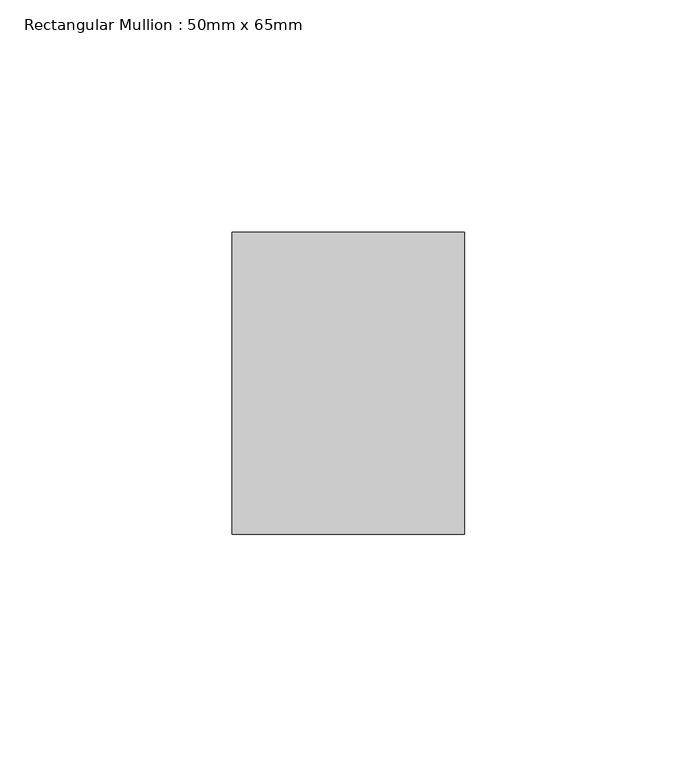
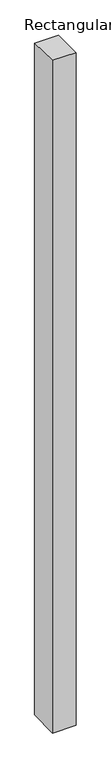
"""IFC4 building model written with IfcOpenShell, lengths in millimetres: member geometry, Rectangular Mullion : 50mm x 65mm."""

import ifcopenshell
import ifcopenshell.guid

model = None  # the IFC model being written
_history = None  # IfcOwnerHistory: only IFC2X3 demands one
_inside = {}  # id of a spatial element -> (the spatial element, [elements in it])
_under = {}  # id of a project, library or spatial element -> (it, [spatial elements below it])
_declared = {}  # id of a project -> (the project, [libraries it declares])
_typed = {}  # id of a type object -> (the type object, [elements of that type])
_made_of = {}  # id of a material, layer set ... -> (it, [elements and type objects made of it])


def new_model(schema):
    """Start an empty IFC model of exactly this schema.

    Asked for "IFC4X3", IfcOpenShell would pick the latest addendum, in which some entities
    have other attributes; the version numbers below select the first issue.
    IFC2X3 requires an IfcOwnerHistory on every rooted entity: one is made here for all.
    """
    global model, _history
    if schema == "IFC4X3":
        model = ifcopenshell.file(schema_version=(4, 3, 0, 0))
    else:
        model = ifcopenshell.file(schema=schema)
    _inside.clear()
    _under.clear()
    _declared.clear()
    _typed.clear()
    _made_of.clear()
    _history = None
    if model.schema == "IFC2X3":
        org = make("IfcOrganization", Name="unknown")
        user = make(
            "IfcPersonAndOrganization",
            ThePerson=make("IfcPerson", FamilyName="unknown"),
            TheOrganization=org,
        )
        app = make(
            "IfcApplication",
            ApplicationDeveloper=org,
            Version="unknown",
            ApplicationFullName="unknown",
            ApplicationIdentifier="unknown",
        )
        _history = make(
            "IfcOwnerHistory",
            OwningUser=user,
            OwningApplication=app,
            ChangeAction="ADDED",
            CreationDate=0,
        )
    return model


def make(cls, **values):
    """One entity of the class cls with the attributes given. An attribute that is None is left unset."""
    return model.create_entity(
        cls, **{name: value for name, value in values.items() if value is not None}
    )


def rooted(cls, **values):
    """An entity with a GlobalId (a new one), such as an element, a storey or a relation."""
    return make(cls, GlobalId=ifcopenshell.guid.new(), OwnerHistory=_history, **values)


def si_unit(unit_type, name, prefix=None):
    """IfcSIUnit, for example si_unit("LENGTHUNIT", "METRE", prefix="MILLI")."""
    return make("IfcSIUnit", UnitType=unit_type, Prefix=prefix, Name=name)


def assignment(units):
    """IfcUnitAssignment: the units of a project."""
    return None if units is None else make("IfcUnitAssignment", Units=units)


def point(xyz):
    """IfcCartesianPoint."""
    return None if xyz is None else make("IfcCartesianPoint", Coordinates=xyz)


def direction(xyz):
    """IfcDirection."""
    return None if xyz is None else make("IfcDirection", DirectionRatios=xyz)


def frame(location, z_axis=None, x_axis=None):
    """IfcAxis2Placement3D, a coordinate frame: its origin and axes. An axis left out is left unset."""
    return make(
        "IfcAxis2Placement3D",
        Location=point(location),
        Axis=direction(z_axis),
        RefDirection=direction(x_axis),
    )


def origin():
    """The frame at (0, 0, 0) with its axes left unset."""
    return frame((0.0, 0.0, 0.0))


def place(relative_to, where):
    """IfcLocalPlacement: puts the frame where relative to a parent placement (None: the world)."""
    return make(
        "IfcLocalPlacement", PlacementRelTo=relative_to, RelativePlacement=where
    )


def context(
    kind, dimensions, precision=None, world=None, true_north=None, identifier=None
):
    """IfcGeometricRepresentationContext, for example the 3D "Model" context."""
    return make(
        "IfcGeometricRepresentationContext",
        ContextIdentifier=identifier,
        ContextType=kind,
        CoordinateSpaceDimension=dimensions,
        Precision=precision,
        WorldCoordinateSystem=world,
        TrueNorth=true_north,
    )


def project(units=None, contexts=None):
    """IfcProject with its units and contexts."""
    return rooted(
        "IfcProject",
        Name="project",
        RepresentationContexts=contexts,
        UnitsInContext=assignment(units),
    )


def spatial(cls, under=None, at=None, **own):
    """A site, building, storey or space (cls), placed at a placement, below another one or the project."""
    s = rooted(cls, ObjectPlacement=at, **own)
    if under is not None:
        _under.setdefault(under.id(), (under, []))[1].append(s)
    return s


def faces_of(points, faces, orient=None, outer=None):
    """IfcFace entities. A face is a list of loops; a loop is a list of indices into points, from 0.

    orient and outer hold one flag for each loop. By default every Orientation is true, the
    first loop of a face is its IfcFaceOuterBound and the others are IfcFaceBound.
    """
    made = []
    for i, loops in enumerate(faces):
        bounds = []
        for j, loop in enumerate(loops):
            is_outer = j == 0 if outer is None else outer[i][j]
            bounds.append(
                make(
                    "IfcFaceOuterBound" if is_outer else "IfcFaceBound",
                    Bound=make("IfcPolyLoop", Polygon=[points[k] for k in loop]),
                    Orientation=True if orient is None else orient[i][j],
                )
            )
        made.append(make("IfcFace", Bounds=bounds))
    return made


def faceted_brep(points, faces, orient=None, outer=None, voids=None):
    """IfcFacetedBrep: a solid bounded by flat faces; with voids (closed shells), ...WithVoids."""
    shared = [point(p) for p in points]
    hull = make("IfcClosedShell", CfsFaces=faces_of(shared, faces, orient, outer))
    if voids is None:
        return make("IfcFacetedBrep", Outer=hull)
    return make(
        "IfcFacetedBrepWithVoids",
        Outer=hull,
        Voids=[
            make(cls, CfsFaces=faces_of(shared, fs, o, b)) for cls, fs, o, b in voids
        ],
    )


def shape(context_of_items, identifier, shape_type, items):
    """IfcShapeRepresentation: the items that make up one representation, for example the "Body"."""
    return make(
        "IfcShapeRepresentation",
        ContextOfItems=context_of_items,
        RepresentationIdentifier=identifier,
        RepresentationType=shape_type,
        Items=items,
    )


def source(mapping_origin, context_of_items, identifier, shape_type, items):
    """IfcRepresentationMap: a shape defined once, which mapped items show again and again."""
    return make(
        "IfcRepresentationMap",
        MappingOrigin=mapping_origin,
        MappedRepresentation=shape(context_of_items, identifier, shape_type, items),
    )


def transform(
    local_origin,
    x_axis=None,
    y_axis=None,
    z_axis=None,
    scale=None,
    scale2=None,
    scale3=None,
    uniform=True,
):
    """IfcCartesianTransformationOperator3D, or its non-uniform kind. x_axis, y_axis, z_axis: its Axis1, 2, 3."""
    if uniform:
        return make(
            "IfcCartesianTransformationOperator3D",
            Axis1=direction(x_axis),
            Axis2=direction(y_axis),
            LocalOrigin=point(local_origin),
            Scale=scale,
            Axis3=direction(z_axis),
        )
    return make(
        "IfcCartesianTransformationOperator3DnonUniform",
        Axis1=direction(x_axis),
        Axis2=direction(y_axis),
        LocalOrigin=point(local_origin),
        Scale=scale,
        Axis3=direction(z_axis),
        Scale2=scale2,
        Scale3=scale3,
    )


def mapped(mapping_source, mapping_target):
    """IfcMappedItem: shows the shape of a source again, moved by a transform."""
    return make(
        "IfcMappedItem", MappingSource=mapping_source, MappingTarget=mapping_target
    )


def made_of(thing, what):
    """Note that an element or type object is made of a material, layer set ...; save() writes the relation."""
    if what is not None:
        _made_of.setdefault(what.id(), (what, []))[1].append(thing)
    return thing


def element(
    cls,
    number,
    at=None,
    inside=None,
    cuts=None,
    type_object=None,
    material=None,
    context=None,
    identifier="Body",
    shape_type=None,
    held_by="IfcProductDefinitionShape",
    body=None,
    shapes=None,
    **own,
):
    """One element of the class cls, such as IfcWall. Its Tag is "e" and its number.

    at: its placement. inside: the storey or other place that contains it. cuts: it is an
    opening in that element (IfcRelVoidsElement). A single representation is given by context,
    identifier, shape_type and body (its items); several are given by shapes. held_by: the class
    of the entity that holds the representations. save() writes the other relations.
    """
    e = rooted(cls, Tag="e%d" % number, ObjectPlacement=at, **own)
    if body is not None:
        shapes = [shape(context, identifier, shape_type, body)]
    if shapes is not None:
        e.Representation = make(held_by, Representations=shapes)
    if inside is not None:
        _inside.setdefault(inside.id(), (inside, []))[1].append(e)
    if cuts is not None:
        rooted(
            "IfcRelVoidsElement", RelatingBuildingElement=cuts, RelatedOpeningElement=e
        )
    if type_object is not None:
        _typed.setdefault(type_object.id(), (type_object, []))[1].append(e)
    return made_of(e, material)


def aggregate(whole, parts):
    """IfcRelAggregates: a whole, such as a stair, and the parts it consists of."""
    return rooted("IfcRelAggregates", RelatingObject=whole, RelatedObjects=parts)


def save(model, path):
    """Write the relations noted so far, then the file.

    IfcRelAggregates (storeys below a building ...), IfcRelContainedInSpatialStructure (elements
    in a storey), IfcRelDefinesByType, IfcRelAssociatesMaterial and IfcRelDeclares: one each for
    every whole, place, type object, material and project.
    """
    for whole, parts in _under.values():
        aggregate(whole, parts)
    for where, things in _inside.values():
        rooted(
            "IfcRelContainedInSpatialStructure",
            RelatedElements=things,
            RelatingStructure=where,
        )
    for kind, things in _typed.values():
        rooted("IfcRelDefinesByType", RelatedObjects=things, RelatingType=kind)
    for what, things in _made_of.values():
        rooted("IfcRelAssociatesMaterial", RelatedObjects=things, RelatingMaterial=what)
    for by, libraries in _declared.values():
        rooted("IfcRelDeclares", RelatingContext=by, RelatedDefinitions=libraries)
    model.write(path)


def rectangular_mullion_50mm_x_65mm_1a44e3aa(model_context):
    return source(origin(), model_context, "Body", "Brep", [
        faceted_brep([(-25.0, 32.5, -0.568322), (25.0, 32.5, -0.5683173), (25.0, 32.5, -1499.2873156), (-25.0, 32.5, -1499.2873098), (-25.0, -32.5, 0.5683173), (-25.0, -32.5, -1500.7127255), (25.0, -32.5, 0.568322), (25.0, -32.5, -1500.7127314)], [[[0, 1, 2, 3]], [[4, 0, 3, 5]], [[6, 4, 5, 7]], [[1, 6, 7, 2]], [[1, 0, 4, 6]], [[2, 7, 5, 3]]]),
    ])


if __name__ == "__main__":
    model = new_model("IFC4")
    model_context = context("Model", 3, world=origin())
    ifc_project = project(units=[si_unit("LENGTHUNIT", "METRE", prefix="MILLI")], contexts=[model_context])
    site = spatial("IfcSite", under=ifc_project)
    building = spatial("IfcBuilding", under=site)
    placement = place(None, origin())
    rectangular_mullion_50mm_x_65mm_shape = rectangular_mullion_50mm_x_65mm_1a44e3aa(model_context)
    element("IfcMember", 1, ObjectType="Rectangular Mullion : 50mm x 65mm", at=placement, inside=building, context=model_context, shape_type="MappedRepresentation", body=[
        mapped(rectangular_mullion_50mm_x_65mm_shape, transform((0.0, 0.0, 0.0), x_axis=(1.0, 0.0, 0.0), y_axis=(0.0, 1.0, 0.0), z_axis=(0.0, 0.0, 1.0))),
    ])
    save(model, "model.ifc")
